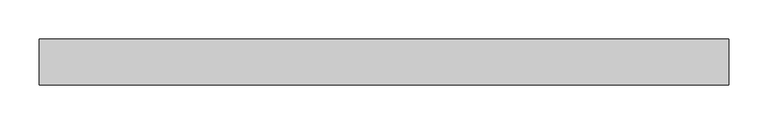
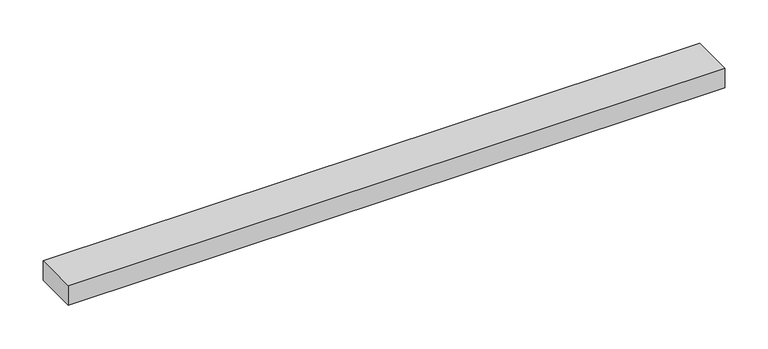
"""IFC4 building model written with IfcOpenShell, lengths in millimetres: proxy geometry."""

from ifc_helpers import new_model, si_unit, frame, origin, place, context, project, spatial, polyline, outline, extrude, source, transform, mapped, element, save


def specialty_equipment_4688b86a(model_context):
    return source(origin(), model_context, "Body", "SweptSolid", [
        extrude(outline(polyline([(-439.3216252, 29.2199219), (439.3216252, 29.2199219), (439.3216252, -29.2199219), (-439.3216252, -29.2199219), (-439.3216252, 29.2199219)])), frame((0.0, 0.0, -13.9898438), z_axis=(0.0, 0.0, 1.0), x_axis=(1.0, 0.0, 0.0)), (0.0, 0.0, 1.0), 27.9796875),
    ])


if __name__ == "__main__":
    model = new_model("IFC4")
    model_context = context("Model", 3, world=origin())
    ifc_project = project(units=[si_unit("LENGTHUNIT", "METRE", prefix="MILLI")], contexts=[model_context])
    site = spatial("IfcSite", under=ifc_project)
    building = spatial("IfcBuilding", under=site)
    placement = place(None, origin())
    specialty_equipment_shape = specialty_equipment_4688b86a(model_context)
    element("IfcBuildingElementProxy", 1, Name="Specialty Equipment", at=placement, inside=building, context=model_context, shape_type="MappedRepresentation", body=[
        mapped(specialty_equipment_shape, transform((0.0, 0.0, 0.0), x_axis=(1.0, 0.0, 0.0), y_axis=(0.0, 1.0, 0.0), z_axis=(0.0, 0.0, 1.0))),
    ])
    save(model, "model.ifc")
